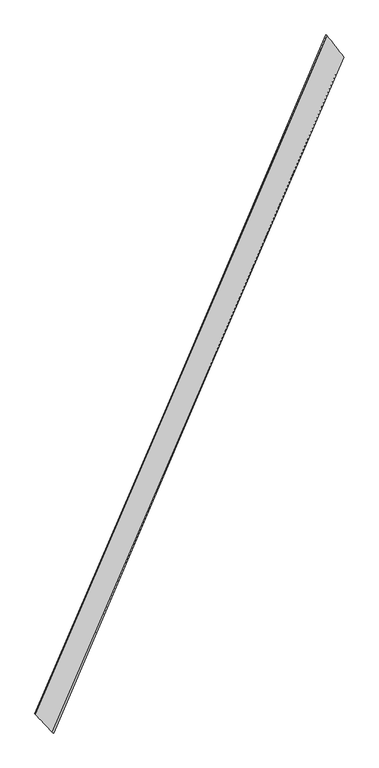
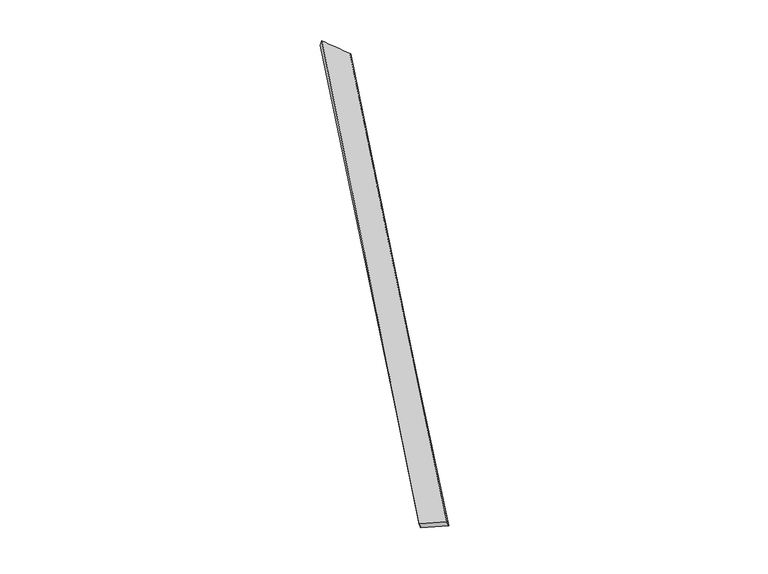
"""IFC4 building model written with IfcOpenShell, lengths in millimetres: proxy geometry."""

from ifc_helpers import new_model, si_unit, origin, place, context, project, spatial, source, transform, mapped, element, save
from ifc_brep_helpers import spline_surface, advanced_brep


def generic_models_d50b4546(model_context):
    return source(origin(), model_context, "Body", "AdvancedBrep", [
        advanced_brep(
        [(-766.2711302, -1941.2201965, 21.8562094), (-757.2482342, -1945.4127939, -6.4459014), (1014.7275374, 2201.5299918, -50.1982165), (1022.1095983, 2198.6423859, -21.2643797), (-866.9419154, -1831.1104546, -50.7722208), (910.4757584, 2334.5550609, -7.5582531), (-874.1039489, -1828.3235487, -21.7732823), (918.2654808, 2330.9013593, 21.1814527)],
        [
            (0, 1),
            (1, 2),
            (2, 3),
            (3, 0),
            (1, 4),
            (4, 5),
            (5, 2),
            (4, 6),
            (6, 7),
            (7, 5),
            (6, 0),
            (3, 7),
        ],
        [
            spline_surface(1, 1, [[(-766.2711302, -1941.2201965, 21.8562094), (1022.1095983, 2198.6423859, -21.2643797)], [(-757.2482342, -1945.4127939, -6.4459014), (1014.7275374, 2201.5299918, -50.1982165)]], [2, 2], [2, 2], [0.0, 1.0], [0.0, 1.0]),
            spline_surface(1, 1, [[(-757.2482342, -1945.4127939, -6.4459014), (1014.7275374, 2201.5299918, -50.1982165)], [(-866.9419154, -1831.1104546, -50.7722208), (910.4757584, 2334.5550609, -7.5582531)]], [2, 2], [2, 2], [0.0, 1.0], [0.0, 1.0]),
            spline_surface(1, 1, [[(-866.9419154, -1831.1104546, -50.7722208), (910.4757584, 2334.5550609, -7.5582531)], [(-874.1039489, -1828.3235487, -21.7732823), (918.2654808, 2330.9013593, 21.1814527)]], [2, 2], [2, 2], [0.0, 1.0], [0.0, 1.0]),
            spline_surface(1, 1, [[(-874.1039489, -1828.3235487, -21.7732823), (918.2654808, 2330.9013593, 21.1814527)], [(-766.2711302, -1941.2201965, 21.8562094), (1022.1095983, 2198.6423859, -21.2643797)]], [2, 2], [2, 2], [0.0, 1.0], [0.0, 1.0]),
            spline_surface(1, 1, [[(1014.7275374, 2201.5299918, -50.1982165), (1022.1095983, 2198.6423859, -21.2643797)], [(910.4757584, 2334.5550609, -7.5582531), (918.2654808, 2330.9013593, 21.1814527)]], [2, 2], [2, 2], [0.0, 1.0], [0.0, 1.0]),
            spline_surface(1, 1, [[(-874.1039489, -1828.3235487, -21.7732823), (-766.2711302, -1941.2201965, 21.8562094)], [(-866.9419154, -1831.1104546, -50.7722208), (-757.2482342, -1945.4127939, -6.4459014)]], [2, 2], [2, 2], [0.0, 1.0], [0.0, 1.0]),
        ],
        [
            (0, [[1, 2, 3, 4]]),
            (1, [[5, 6, 7, -2]]),
            (2, [[8, 9, 10, -6]]),
            (3, [[11, -4, 12, -9]]),
            (4, [[-3, -7, -10, -12]]),
            (5, [[-11, -8, -5, -1]]),
        ],
    ),
    ])


if __name__ == "__main__":
    model = new_model("IFC4")
    model_context = context("Model", 3, world=origin())
    ifc_project = project(units=[si_unit("LENGTHUNIT", "METRE", prefix="MILLI")], contexts=[model_context])
    site = spatial("IfcSite", under=ifc_project)
    building = spatial("IfcBuilding", under=site)
    placement = place(None, origin())
    generic_models_shape = generic_models_d50b4546(model_context)
    element("IfcBuildingElementProxy", 1, Name="Generic Models", at=placement, inside=building, context=model_context, shape_type="MappedRepresentation", body=[
        mapped(generic_models_shape, transform((0.0, 0.0, 0.0), x_axis=(1.0, 0.0, 0.0), y_axis=(0.0, 1.0, 0.0), z_axis=(0.0, 0.0, 1.0))),
    ])
    save(model, "model.ifc")
